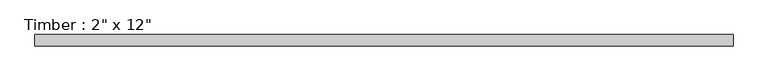
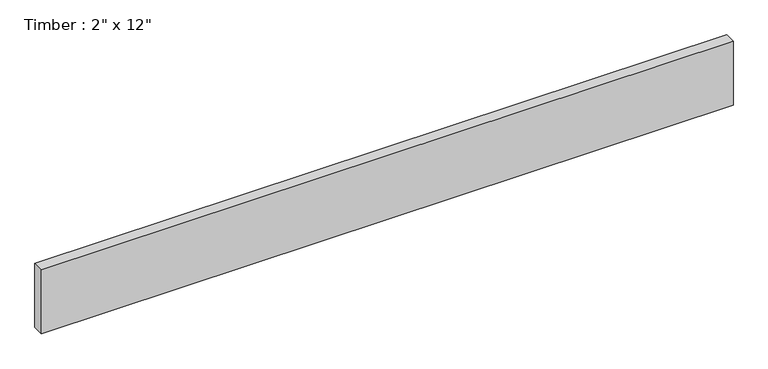
"""IFC4 building model written with IfcOpenShell, lengths in millimetres: beam geometry."""

from ifc_helpers import new_model, si_unit, frame, origin, place, context, project, spatial, polyline, outline, extrude, source, transform, mapped, element, save


def beam_56134d8a(model_context):
    return source(origin(), model_context, "Body", "SweptSolid", [
        extrude(outline(polyline([(1560.5125, 25.4), (1560.5125, -25.4), (-1560.5125, -25.4), (-1560.5125, 25.4), (1560.5125, 25.4)])), frame((0.0, 0.0, -152.4), z_axis=(0.0, 0.0, 1.0), x_axis=(1.0, 0.0, 0.0)), (0.0, 0.0, 1.0), 304.8),
    ])


if __name__ == "__main__":
    model = new_model("IFC4")
    model_context = context("Model", 3, world=origin())
    ifc_project = project(units=[si_unit("LENGTHUNIT", "METRE", prefix="MILLI")], contexts=[model_context])
    site = spatial("IfcSite", under=ifc_project)
    building = spatial("IfcBuilding", under=site)
    placement = place(None, origin())
    beam_shape = beam_56134d8a(model_context)
    element("IfcBeam", 1, ObjectType="Timber : 2\" x 12\"", at=placement, inside=building, context=model_context, shape_type="MappedRepresentation", body=[
        mapped(beam_shape, transform((0.0, 0.0, 0.0), x_axis=(1.0, 0.0, 0.0), y_axis=(0.0, 1.0, 0.0), z_axis=(0.0, 0.0, 1.0))),
    ])
    save(model, "model.ifc")
